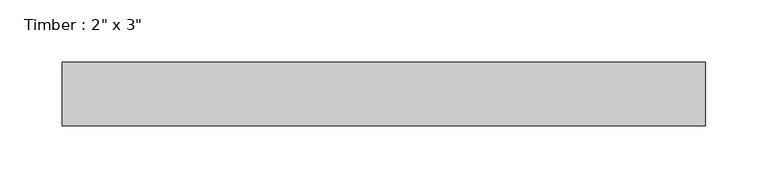
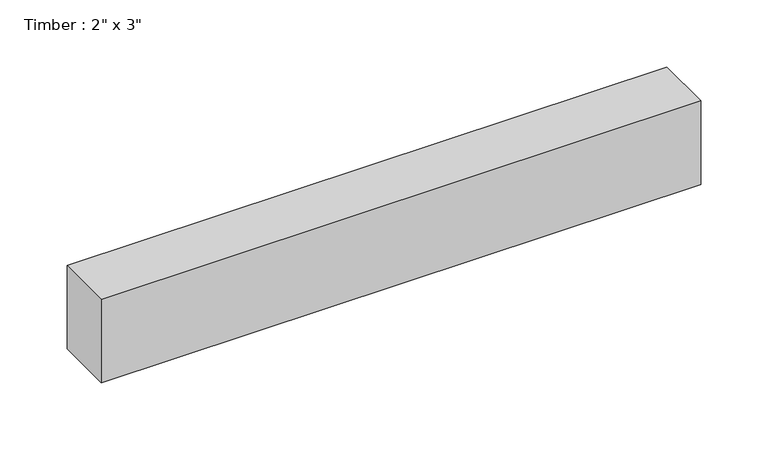
"""IFC4 building model written with IfcOpenShell, lengths in millimetres: beam geometry."""

from ifc_helpers import new_model, si_unit, frame, origin, place, context, project, spatial, polyline, outline, extrude, source, transform, mapped, element, save


def beam_3a2d0365(model_context):
    return source(origin(), model_context, "Body", "SweptSolid", [
        extrude(outline(polyline([(258.2440773, 25.4), (258.2440773, -25.4), (-258.2440773, -25.4), (-258.2440773, 25.4), (258.2440773, 25.4)])), frame((0.0, 0.0, -38.1), z_axis=(0.0, 0.0, 1.0), x_axis=(1.0, 0.0, 0.0)), (0.0, 0.0, 1.0), 76.2),
    ])


if __name__ == "__main__":
    model = new_model("IFC4")
    model_context = context("Model", 3, world=origin())
    ifc_project = project(units=[si_unit("LENGTHUNIT", "METRE", prefix="MILLI")], contexts=[model_context])
    site = spatial("IfcSite", under=ifc_project)
    building = spatial("IfcBuilding", under=site)
    placement = place(None, origin())
    beam_shape = beam_3a2d0365(model_context)
    element("IfcBeam", 1, ObjectType="Timber : 2\" x 3\"", at=placement, inside=building, context=model_context, shape_type="MappedRepresentation", body=[
        mapped(beam_shape, transform((0.0, 0.0, 0.0), x_axis=(1.0, 0.0, 0.0), y_axis=(0.0, 1.0, 0.0), z_axis=(0.0, 0.0, 1.0))),
    ])
    save(model, "model.ifc")
